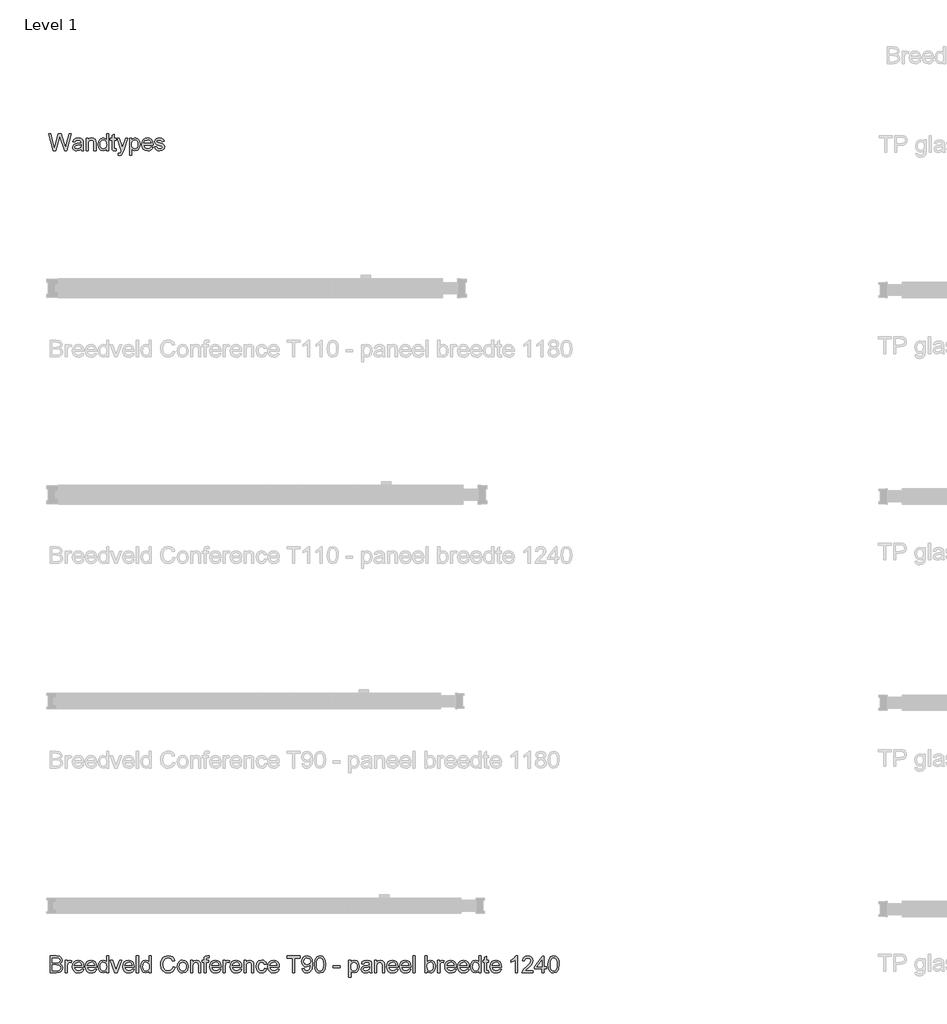
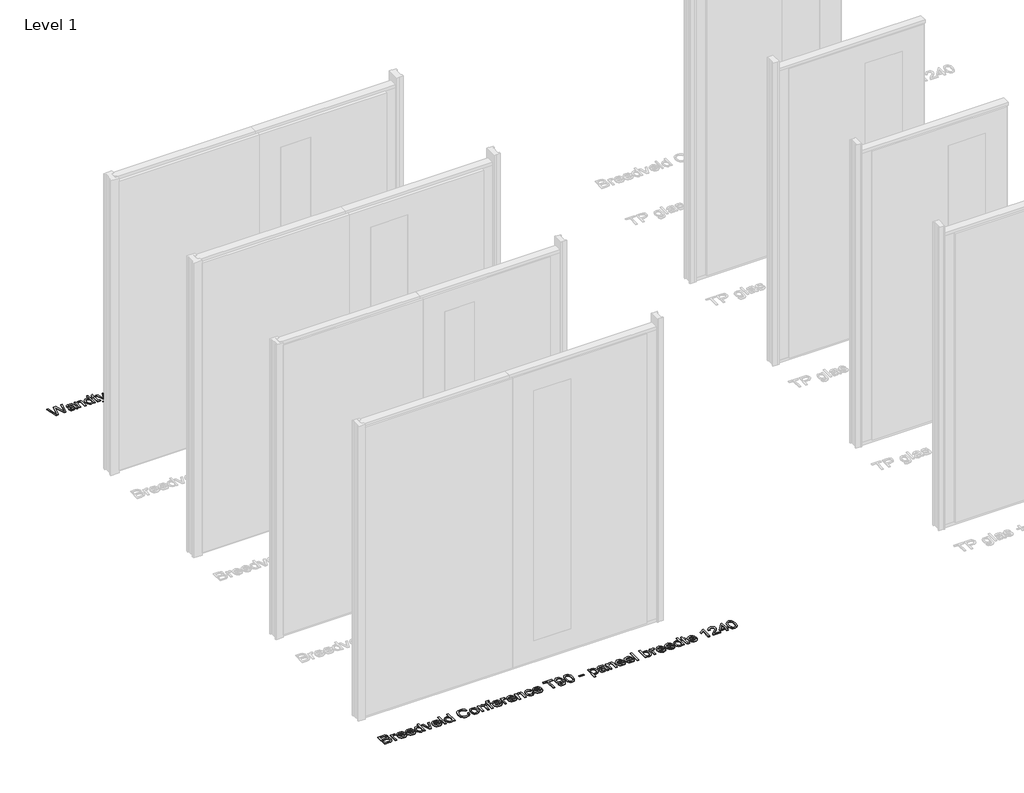
# One storey, part 4 of 17: 2 proxies.
"""IFC4 building model written with IfcOpenShell, lengths in millimetres."""

from ifc_helpers import new_model, si_unit, origin, origin_with_axes, place, context, project, spatial, polyline, outline, extrude, element, save

model = new_model("IFC4")

# Units and contexts
model_context = context("Model", 3, world=origin())
ifc_project = project(units=[si_unit("LENGTHUNIT", "METRE", prefix="MILLI")], contexts=[model_context])

# Site, building, storey
site = spatial("IfcSite", under=ifc_project)
building = spatial("IfcBuilding", under=site)
storey = spatial("IfcBuildingStorey", under=building, Name="Level 1", Elevation=0.0)

# Proxies
placement = place(None, origin())
element("IfcBuildingElementProxy", 1, Name="100 mm", ObjectType="100 mm", at=placement, inside=storey, context=model_context, shape_type="SweptSolid", body=[
    extrude(outline(polyline([(-17380.3580543, 512.9418082), (-17380.3580543, 611.4033467), (-17342.7859389, 611.4033467), (-17324.3844966, 608.5067121), (-17313.519112, 599.6004621), (-17309.5888235, 587.0043082), (-17312.894112, 575.5019044), (-17322.8820927, 566.7879621), (-17310.7546889, 557.6052698), (-17306.5119004, 542.2927698), (-17309.4085351, 529.0595967), (-17316.5840158, 519.6365198), (-17327.2931504, 514.6365198), (-17343.0744004, 512.9418082), (-17380.3580543, 512.9418082)]), holes=[polyline([(-17368.050362, 525.2495005), (-17342.8099774, 525.2495005), (-17333.675362, 525.7302698), (-17325.9469966, 528.4105582), (-17320.8268043, 533.8793082), (-17318.8195927, 542.1725775), (-17321.175362, 551.7398852), (-17328.8075735, 557.4490198), (-17344.0119004, 559.0956544), (-17368.050362, 559.0956544), (-17368.050362, 525.2495005)]), polyline([(-17368.050362, 571.4033467), (-17345.5744004, 571.4033467), (-17332.4494004, 572.461039), (-17324.5527658, 577.0163275), (-17321.8965158, 585.0331544), (-17324.3724774, 593.0620005), (-17331.4638235, 597.8095967), (-17347.2811312, 599.0956544), (-17368.050362, 599.0956544), (-17368.050362, 571.4033467)])]), origin_with_axes(), (0.0, 0.0, 1.0), 5.0),
    extrude(outline(polyline([(-17291.1272851, 512.9418082), (-17291.1272851, 585.2495005), (-17280.3580543, 585.2495005), (-17280.3580543, 574.5523852), (-17272.7138235, 584.4081544), (-17265.0215158, 586.7879621), (-17252.6657466, 582.9898852), (-17256.7763235, 571.9562313), (-17265.4301697, 574.4802698), (-17272.3893043, 572.0523852), (-17276.8244004, 565.3216159), (-17278.8195927, 550.9466159), (-17278.8195927, 512.9418082), (-17291.1272851, 512.9418082)])), origin_with_axes(), (0.0, 0.0, 1.0), 5.0),
    extrude(outline(polyline([(-17194.3484389, 534.4802698), (-17182.2811312, 532.9418082), (-17186.6290879, 523.8492602), (-17193.5671889, 517.0523852), (-17202.9391841, 512.8156063), (-17214.5888235, 511.4033467), (-17229.0299293, 513.8402457), (-17240.1417081, 521.1509429), (-17247.2270447, 532.8606784), (-17249.5888235, 548.4946929), (-17247.2030062, 564.6545486), (-17240.0455543, 576.7398852), (-17229.0840158, 584.2759429), (-17215.2859389, 586.7879621), (-17201.9175495, 584.2819525), (-17191.2354581, 576.7639236), (-17184.2312514, 564.7026255), (-17181.8965158, 548.5668082), (-17181.9686312, 545.2495005), (-17237.2811312, 545.2495005), (-17235.1507226, 536.0367602), (-17230.2018043, 529.2639236), (-17214.3484389, 523.711039), (-17202.2811312, 526.2831544), (-17194.3484389, 534.4802698)]), holes=[polyline([(-17237.2811312, 557.5571929), (-17194.2042081, 557.5571929), (-17199.1320927, 568.711039), (-17206.3075735, 573.0379621), (-17215.3340158, 574.4802698), (-17230.4902658, 569.8769044), (-17237.2811312, 557.5571929)])]), origin_with_axes(), (0.0, 0.0, 1.0), 5.0),
    extrude(outline(polyline([(-17118.9638235, 534.4802698), (-17106.8965158, 532.9418082), (-17111.2444726, 523.8492602), (-17118.1825735, 517.0523852), (-17127.5545687, 512.8156063), (-17139.2042081, 511.4033467), (-17153.6453139, 513.8402457), (-17164.7570927, 521.1509429), (-17171.8424293, 532.8606784), (-17174.2042081, 548.4946929), (-17171.8183908, 564.6545486), (-17164.6609389, 576.7398852), (-17153.6994004, 584.2759429), (-17139.9013235, 586.7879621), (-17126.5329341, 584.2819525), (-17115.8508427, 576.7639236), (-17108.846636, 564.7026255), (-17106.5119004, 548.5668082), (-17106.5840158, 545.2495005), (-17161.8965158, 545.2495005), (-17159.7661072, 536.0367602), (-17154.8171889, 529.2639236), (-17138.9638235, 523.711039), (-17126.8965158, 526.2831544), (-17118.9638235, 534.4802698)]), holes=[polyline([(-17161.8965158, 557.5571929), (-17118.8195927, 557.5571929), (-17123.7474774, 568.711039), (-17130.9229581, 573.0379621), (-17139.9494004, 574.4802698), (-17155.1056504, 569.8769044), (-17161.8965158, 557.5571929)])]), origin_with_axes(), (0.0, 0.0, 1.0), 5.0),
    extrude(outline(polyline([(-17049.5888235, 512.9418082), (-17049.5888235, 524.5523852), (-17057.7318524, 514.6906063), (-17068.987862, 511.4033467), (-17084.2282466, 516.1629621), (-17094.9974774, 529.4442121), (-17098.8195927, 549.023539), (-17095.2979581, 568.6148852), (-17084.7450735, 582.1004621), (-17069.0359389, 586.7879621), (-17057.6897851, 583.4345967), (-17049.5888235, 574.7206544), (-17049.5888235, 611.4033467), (-17037.2811312, 611.4033467), (-17037.2811312, 512.9418082), (-17049.5888235, 512.9418082)]), holes=[polyline([(-17086.5119004, 549.0716159), (-17085.1236793, 537.9388034), (-17080.9590158, 530.0211352), (-17074.9073331, 525.288563), (-17067.8580543, 523.711039), (-17060.8117802, 525.2164477), (-17054.9133427, 529.7326736), (-17050.9199533, 537.3438515), (-17049.5888235, 548.1341159), (-17050.9439918, 559.9309909), (-17055.0094966, 568.1100775), (-17061.0581745, 572.8877217), (-17068.362862, 574.4802698), (-17075.4842562, 572.9508227), (-17081.3195927, 568.3624813), (-17085.2138235, 560.4808707), (-17086.5119004, 549.0716159)])]), origin_with_axes(), (0.0, 0.0, 1.0), 5.0),
    extrude(outline(polyline([(-17001.0792081, 512.9418082), (-17026.5119004, 585.2495005), (-17013.4830543, 585.2495005), (-16998.0744004, 541.9321929), (-16993.4349774, 527.3648852), (-16988.8917081, 541.1148852), (-16973.3869004, 585.2495005), (-16960.3580543, 585.2495005), (-16985.4782466, 512.9418082), (-17001.0792081, 512.9418082)])), origin_with_axes(), (0.0, 0.0, 1.0), 5.0),
    extrude(outline(polyline([(-16898.9638235, 534.4802698), (-16886.8965158, 532.9418082), (-16891.2444726, 523.8492602), (-16898.1825735, 517.0523852), (-16907.5545687, 512.8156063), (-16919.2042081, 511.4033467), (-16933.6453139, 513.8402457), (-16944.7570927, 521.1509429), (-16951.8424293, 532.8606784), (-16954.2042081, 548.4946929), (-16951.8183908, 564.6545486), (-16944.6609389, 576.7398852), (-16933.6994004, 584.2759429), (-16919.9013235, 586.7879621), (-16906.5329341, 584.2819525), (-16895.8508427, 576.7639236), (-16888.846636, 564.7026255), (-16886.5119004, 548.5668082), (-16886.5840158, 545.2495005), (-16941.8965158, 545.2495005), (-16939.7661072, 536.0367602), (-16934.8171889, 529.2639236), (-16918.9638235, 523.711039), (-16906.8965158, 526.2831544), (-16898.9638235, 534.4802698)]), holes=[polyline([(-16941.8965158, 557.5571929), (-16898.8195927, 557.5571929), (-16903.7474774, 568.711039), (-16910.9229581, 573.0379621), (-16919.9494004, 574.4802698), (-16935.1056504, 569.8769044), (-16941.8965158, 557.5571929)])]), origin_with_axes(), (0.0, 0.0, 1.0), 5.0),
    extrude(outline(polyline([(-16874.2042081, 512.9418082), (-16874.2042081, 611.4033467), (-16861.8965158, 611.4033467), (-16861.8965158, 512.9418082), (-16874.2042081, 512.9418082)])), origin_with_axes(), (0.0, 0.0, 1.0), 5.0),
    extrude(outline(polyline([(-16798.8195927, 512.9418082), (-16798.8195927, 524.5523852), (-16806.9626216, 514.6906063), (-16818.2186312, 511.4033467), (-16833.4590158, 516.1629621), (-16844.2282466, 529.4442121), (-16848.050362, 549.023539), (-16844.5287274, 568.6148852), (-16833.9758427, 582.1004621), (-16818.2667081, 586.7879621), (-16806.9205543, 583.4345967), (-16798.8195927, 574.7206544), (-16798.8195927, 611.4033467), (-16786.5119004, 611.4033467), (-16786.5119004, 512.9418082), (-16798.8195927, 512.9418082)]), holes=[polyline([(-16835.7426697, 549.0716159), (-16834.3544485, 537.9388034), (-16830.1897851, 530.0211352), (-16824.1381024, 525.288563), (-16817.0888235, 523.711039), (-16810.0425495, 525.2164477), (-16804.144112, 529.7326736), (-16800.1507226, 537.3438515), (-16798.8195927, 548.1341159), (-16800.174761, 559.9309909), (-16804.2402658, 568.1100775), (-16810.2889437, 572.8877217), (-16817.5936312, 574.4802698), (-16824.7150254, 572.9508227), (-16830.550362, 568.3624813), (-16834.4445927, 560.4808707), (-16835.7426697, 549.0716159)])]), origin_with_axes(), (0.0, 0.0, 1.0), 5.0),
    extrude(outline(polyline([(-16658.8195927, 547.9418082), (-16646.5119004, 544.7687313), (-16652.190987, 530.4267842), (-16661.1032466, 519.9490198), (-16672.8099774, 513.539765), (-16686.8724774, 511.4033467), (-16701.1483187, 513.0199332), (-16712.4854581, 517.8696929), (-16721.175362, 525.7843563), (-16727.5094966, 536.5956544), (-16732.6657466, 562.9177698), (-16731.2084149, 577.2747409), (-16726.8364197, 589.6725775), (-16719.7781264, 599.7176496), (-16710.2619004, 607.0163275), (-16686.6080543, 612.9418082), (-16673.1134629, 611.0247409), (-16661.956612, 605.273539), (-16653.4860591, 596.0427698), (-16648.050362, 583.6870005), (-16660.3580543, 580.7543082), (-16670.4542081, 595.8865198), (-16687.0888235, 600.6341159), (-16706.3436312, 595.3696929), (-16717.2210351, 581.2350775), (-16720.3580543, 562.9418082), (-16716.644112, 541.7398852), (-16705.081612, 528.1942121), (-16688.0984389, 523.711039), (-16677.8250014, 525.2374813), (-16669.2643043, 529.8168082), (-16662.8009629, 537.4009429), (-16658.8195927, 547.9418082)])), origin_with_axes(), (0.0, 0.0, 1.0), 5.0),
    extrude(outline(polyline([(-16634.2042081, 549.0956544), (-16631.5419485, 566.5295486), (-16623.5551697, 578.7831544), (-16613.6873812, 584.7867602), (-16601.8724774, 586.7879621), (-16588.9427899, 584.351063), (-16578.6152658, 577.0403659), (-16571.8454341, 565.4327938), (-16569.5888235, 550.1052698), (-16573.5792081, 528.2062313), (-16585.2018043, 515.8144044), (-16601.8724774, 511.4033467), (-16614.9584149, 513.8312313), (-16625.2739197, 521.1148852), (-16631.971636, 532.9658467), (-16634.2042081, 549.0956544)]), holes=[polyline([(-16621.8965158, 549.1196929), (-16620.472237, 537.9808707), (-16616.1994004, 530.0451736), (-16609.769112, 525.2945727), (-16601.8724774, 523.711039), (-16594.0119004, 525.3035871), (-16587.5936312, 530.0812313), (-16583.3207947, 538.1220967), (-16581.8965158, 549.5043082), (-16583.3298091, 560.3186111), (-16587.6296889, 568.1461352), (-16594.0569726, 572.8967361), (-16601.8724774, 574.4802698), (-16609.769112, 572.9027457), (-16616.1994004, 568.1701736), (-16620.472237, 560.2525054), (-16621.8965158, 549.1196929)])]), origin_with_axes(), (0.0, 0.0, 1.0), 5.0),
    extrude(outline(polyline([(-16555.7426697, 512.9418082), (-16555.7426697, 585.2495005), (-16543.4349774, 585.2495005), (-16543.4349774, 575.1533467), (-16534.0239197, 583.8793082), (-16521.175362, 586.7879621), (-16509.5527658, 584.4442121), (-16501.6200735, 578.2903659), (-16497.9301697, 569.2398852), (-16497.2811312, 557.3408467), (-16497.2811312, 512.9418082), (-16509.5888235, 512.9418082), (-16509.5888235, 555.6821929), (-16511.0070927, 566.5716159), (-16516.019112, 572.3288275), (-16524.4686312, 574.4802698), (-16537.8219966, 569.648539), (-16542.0317322, 562.6473371), (-16543.4349774, 551.3071929), (-16543.4349774, 512.9418082), (-16555.7426697, 512.9418082)])), origin_with_axes(), (0.0, 0.0, 1.0), 5.0),
    extrude(outline(polyline([(-16477.2811312, 512.9418082), (-16477.2811312, 572.9418082), (-16488.050362, 572.9418082), (-16488.050362, 585.2495005), (-16477.2811312, 585.2495005), (-16477.2811312, 592.5331544), (-16475.9830543, 602.7975775), (-16469.6849774, 610.1293082), (-16457.2811312, 612.9418082), (-16446.0551697, 611.5956544), (-16447.8580543, 600.0571929), (-16454.9494004, 600.6341159), (-16462.7018043, 598.5908467), (-16464.9734389, 590.9706544), (-16464.9734389, 585.2495005), (-16451.1272851, 585.2495005), (-16451.1272851, 572.9418082), (-16464.9734389, 572.9418082), (-16464.9734389, 512.9418082), (-16477.2811312, 512.9418082)])), origin_with_axes(), (0.0, 0.0, 1.0), 5.0),
    extrude(outline(polyline([(-16389.7330543, 534.4802698), (-16377.6657466, 532.9418082), (-16382.0137033, 523.8492602), (-16388.9518043, 517.0523852), (-16398.3237995, 512.8156063), (-16409.9734389, 511.4033467), (-16424.4145447, 513.8402457), (-16435.5263235, 521.1509429), (-16442.6116601, 532.8606784), (-16444.9734389, 548.4946929), (-16442.5876216, 564.6545486), (-16435.4301697, 576.7398852), (-16424.4686312, 584.2759429), (-16410.6705543, 586.7879621), (-16397.3021649, 584.2819525), (-16386.6200735, 576.7639236), (-16379.6158668, 564.7026255), (-16377.2811312, 548.5668082), (-16377.3532466, 545.2495005), (-16432.6657466, 545.2495005), (-16430.5353379, 536.0367602), (-16425.5864197, 529.2639236), (-16409.7330543, 523.711039), (-16397.6657466, 526.2831544), (-16389.7330543, 534.4802698)]), holes=[polyline([(-16432.6657466, 557.5571929), (-16389.5888235, 557.5571929), (-16394.5167081, 568.711039), (-16401.6921889, 573.0379621), (-16410.7186312, 574.4802698), (-16425.8748812, 569.8769044), (-16432.6657466, 557.5571929)])]), origin_with_axes(), (0.0, 0.0, 1.0), 5.0),
    extrude(outline(polyline([(-16364.9734389, 512.9418082), (-16364.9734389, 585.2495005), (-16354.2042081, 585.2495005), (-16354.2042081, 574.5523852), (-16346.5599774, 584.4081544), (-16338.8676697, 586.7879621), (-16326.5119004, 582.9898852), (-16330.6224774, 571.9562313), (-16339.2763235, 574.4802698), (-16346.2354581, 572.0523852), (-16350.6705543, 565.3216159), (-16352.6657466, 550.9466159), (-16352.6657466, 512.9418082), (-16364.9734389, 512.9418082)])), origin_with_axes(), (0.0, 0.0, 1.0), 5.0),
    extrude(outline(polyline([(-16268.1945927, 534.4802698), (-16256.1272851, 532.9418082), (-16260.4752418, 523.8492602), (-16267.4133427, 517.0523852), (-16276.7853379, 512.8156063), (-16288.4349774, 511.4033467), (-16302.8760831, 513.8402457), (-16313.987862, 521.1509429), (-16321.0731985, 532.8606784), (-16323.4349774, 548.4946929), (-16321.0491601, 564.6545486), (-16313.8917081, 576.7398852), (-16302.9301697, 584.2759429), (-16289.1320927, 586.7879621), (-16275.7637033, 584.2819525), (-16265.081612, 576.7639236), (-16258.0774052, 564.7026255), (-16255.7426697, 548.5668082), (-16255.8147851, 545.2495005), (-16311.1272851, 545.2495005), (-16308.9968764, 536.0367602), (-16304.0479581, 529.2639236), (-16288.1945927, 523.711039), (-16276.1272851, 526.2831544), (-16268.1945927, 534.4802698)]), holes=[polyline([(-16311.1272851, 557.5571929), (-16268.050362, 557.5571929), (-16272.9782466, 568.711039), (-16280.1537274, 573.0379621), (-16289.1801697, 574.4802698), (-16304.3364197, 569.8769044), (-16311.1272851, 557.5571929)])]), origin_with_axes(), (0.0, 0.0, 1.0), 5.0),
    extrude(outline(polyline([(-16243.4349774, 512.9418082), (-16243.4349774, 585.2495005), (-16231.1272851, 585.2495005), (-16231.1272851, 575.1533467), (-16221.7162274, 583.8793082), (-16208.8676697, 586.7879621), (-16197.2450735, 584.4442121), (-16189.3123812, 578.2903659), (-16185.6224774, 569.2398852), (-16184.9734389, 557.3408467), (-16184.9734389, 512.9418082), (-16197.2811312, 512.9418082), (-16197.2811312, 555.6821929), (-16198.6994004, 566.5716159), (-16203.7114197, 572.3288275), (-16212.1609389, 574.4802698), (-16225.5143043, 569.648539), (-16229.7240399, 562.6473371), (-16231.1272851, 551.3071929), (-16231.1272851, 512.9418082), (-16243.4349774, 512.9418082)])), origin_with_axes(), (0.0, 0.0, 1.0), 5.0),
    extrude(outline(polyline([(-16121.8965158, 539.0956544), (-16109.5888235, 537.5571929), (-16113.0203139, 526.6106784), (-16119.4686312, 518.3384429), (-16128.3268043, 513.1371207), (-16138.987862, 511.4033467), (-16152.0798091, 513.8222169), (-16162.3171889, 521.0788275), (-16168.924761, 532.8546688), (-16171.1272851, 548.8312313), (-16167.3652658, 569.2759429), (-16155.8989197, 582.4129621), (-16139.1561312, 586.7879621), (-16128.7564918, 585.2855582), (-16120.4421889, 580.7783467), (-16114.4776456, 573.5067121), (-16111.1272851, 563.711039), (-16123.4349774, 562.1725775), (-16129.144112, 571.3913275), (-16139.0599774, 574.4802698), (-16147.0137033, 572.9598371), (-16153.3268043, 568.398539), (-16157.4463956, 560.5499813), (-16158.8195927, 549.1677698), (-16157.4764437, 537.632313), (-16153.4469966, 529.7567121), (-16147.2480783, 525.2224573), (-16139.3965158, 523.711039), (-16127.7979581, 527.4850775), (-16121.8965158, 539.0956544)])), origin_with_axes(), (0.0, 0.0, 1.0), 5.0),
    extrude(outline(polyline([(-16048.1945927, 534.4802698), (-16036.1272851, 532.9418082), (-16040.4752418, 523.8492602), (-16047.4133427, 517.0523852), (-16056.7853379, 512.8156063), (-16068.4349774, 511.4033467), (-16082.8760831, 513.8402457), (-16093.987862, 521.1509429), (-16101.0731985, 532.8606784), (-16103.4349774, 548.4946929), (-16101.0491601, 564.6545486), (-16093.8917081, 576.7398852), (-16082.9301697, 584.2759429), (-16069.1320927, 586.7879621), (-16055.7637033, 584.2819525), (-16045.081612, 576.7639236), (-16038.0774052, 564.7026255), (-16035.7426697, 548.5668082), (-16035.8147851, 545.2495005), (-16091.1272851, 545.2495005), (-16088.9968764, 536.0367602), (-16084.0479581, 529.2639236), (-16068.1945927, 523.711039), (-16056.1272851, 526.2831544), (-16048.1945927, 534.4802698)]), holes=[polyline([(-16091.1272851, 557.5571929), (-16048.050362, 557.5571929), (-16052.9782466, 568.711039), (-16060.1537274, 573.0379621), (-16069.1801697, 574.4802698), (-16084.3364197, 569.8769044), (-16091.1272851, 557.5571929)])]), origin_with_axes(), (0.0, 0.0, 1.0), 5.0),
    extrude(outline(polyline([(-15958.8195927, 512.9418082), (-15958.8195927, 599.0956544), (-15991.1272851, 599.0956544), (-15991.1272851, 611.4033467), (-15914.2042081, 611.4033467), (-15914.2042081, 599.0956544), (-15946.5119004, 599.0956544), (-15946.5119004, 512.9418082), (-15958.8195927, 512.9418082)])), origin_with_axes(), (0.0, 0.0, 1.0), 5.0),
    extrude(outline(polyline([(-15903.4349774, 537.5571929), (-15891.1272851, 539.0956544), (-15885.5984389, 527.3528659), (-15875.1176697, 523.711039), (-15865.1537274, 526.054789), (-15858.3989197, 532.3168082), (-15854.3724774, 543.0139236), (-15852.5936312, 557.2927698), (-15852.6657466, 559.6966159), (-15862.5094966, 550.3696929), (-15876.0070927, 546.7879621), (-15887.2300495, 548.9754621), (-15896.5719966, 555.5379621), (-15902.8730783, 565.6761832), (-15904.9734389, 578.5908467), (-15902.7709149, 591.9321929), (-15896.1633427, 602.3889236), (-15886.2384629, 609.1497409), (-15874.0840158, 611.4033467), (-15856.5479581, 606.2591159), (-15844.4806504, 591.5956544), (-15840.3580543, 564.0475775), (-15844.4686312, 534.1557505), (-15856.6921889, 517.2206544), (-15865.4992802, 512.8576736), (-15875.6945927, 511.4033467), (-15886.2174293, 513.1190919), (-15894.612862, 518.2663275), (-15900.4842562, 526.5205342), (-15903.4349774, 537.5571929)]), holes=[polyline([(-15852.6657466, 578.8793082), (-15857.9782466, 593.6389236), (-15872.0888235, 599.0956544), (-15880.3099774, 597.6263034), (-15886.8965158, 593.2182505), (-15891.2234389, 586.4724573), (-15892.6657466, 577.9898852), (-15887.2090158, 564.3480582), (-15872.425362, 559.0956544), (-15858.2306504, 564.3480582), (-15854.0569726, 570.6070727), (-15852.6657466, 578.8793082)])]), origin_with_axes(), (0.0, 0.0, 1.0), 5.0),
    extrude(outline(polyline([(-15829.5888235, 561.3793082), (-15825.9710351, 589.7086352), (-15815.2258427, 606.0427698), (-15797.2811312, 611.4033467), (-15782.9061312, 608.2302698), (-15772.9782466, 599.0836352), (-15767.2090158, 584.5163275), (-15764.9734389, 561.3793082), (-15768.5551697, 533.1701736), (-15779.2643043, 516.7999813), (-15797.2811312, 511.4033467), (-15810.0695927, 513.7470967), (-15819.7811312, 520.7783467), (-15827.1369004, 537.4309909), (-15829.5888235, 561.3793082)]), holes=[polyline([(-15817.2811312, 561.4033467), (-15815.8388235, 542.0433707), (-15811.5119004, 530.8384429), (-15805.0695927, 525.49289), (-15797.2811312, 523.711039), (-15789.4926697, 525.4988996), (-15783.050362, 530.8624813), (-15778.7234389, 542.0734188), (-15777.2811312, 561.4033467), (-15778.675362, 580.3276255), (-15782.8580543, 591.6196929), (-15789.2883427, 597.226664), (-15797.425362, 599.0956544), (-15805.1296889, 597.4490198), (-15811.3195927, 592.5091159), (-15815.7907466, 580.5139236), (-15817.2811312, 561.4033467)])]), origin_with_axes(), (0.0, 0.0, 1.0), 5.0),
    extrude(outline(polyline([(-15718.8195927, 542.1725775), (-15718.8195927, 554.4802698), (-15680.3580543, 554.4802698), (-15680.3580543, 542.1725775), (-15718.8195927, 542.1725775)])), origin_with_axes(), (0.0, 0.0, 1.0), 5.0),
    extrude(outline(polyline([(-15628.050362, 485.2495005), (-15628.050362, 585.2495005), (-15615.7426697, 585.2495005), (-15615.7426697, 573.1821929), (-15607.2330543, 583.3865198), (-15595.7426697, 586.7879621), (-15580.1417081, 582.0283467), (-15569.9494004, 568.6148852), (-15566.5119004, 549.648539), (-15570.394112, 529.7086352), (-15581.6681504, 516.1269044), (-15597.2330543, 511.4033467), (-15607.9421889, 514.5644044), (-15615.7426697, 522.5571929), (-15615.7426697, 485.2495005), (-15628.050362, 485.2495005)]), holes=[polyline([(-15615.7426697, 548.5187313), (-15614.4115399, 537.4850775), (-15610.4181504, 529.7687313), (-15604.5257226, 525.2254621), (-15597.4974774, 523.711039), (-15590.3550495, 525.2795486), (-15584.3123812, 529.9850775), (-15580.1927899, 537.9838755), (-15578.8195927, 549.4321929), (-15580.159737, 560.4057505), (-15584.1801697, 568.2302698), (-15590.0635831, 572.9177698), (-15596.9926697, 574.4802698), (-15603.9487995, 572.8186111), (-15610.0575735, 567.8336352), (-15614.3213956, 559.6815919), (-15615.7426697, 548.5187313)])]), origin_with_axes(), (0.0, 0.0, 1.0), 5.0),
    extrude(outline(polyline([(-15506.5119004, 522.1725775), (-15518.4469966, 513.8312313), (-15531.6320927, 511.4033467), (-15541.9175495, 512.8636832), (-15549.5046889, 517.2446929), (-15554.1831745, 523.8973371), (-15555.7426697, 532.1725775), (-15553.3869004, 541.9081544), (-15547.1969966, 548.9754621), (-15538.5792081, 553.0139236), (-15527.9301697, 554.8648852), (-15506.5840158, 559.0956544), (-15506.5119004, 561.836039), (-15509.9013235, 570.9225775), (-15523.5070927, 574.4802698), (-15535.9590158, 572.1124813), (-15541.8965158, 563.711039), (-15554.2042081, 565.2495005), (-15548.8796889, 577.2687313), (-15538.1585351, 584.3120005), (-15521.9205543, 586.7879621), (-15507.0046889, 584.6004621), (-15498.5792081, 579.1076736), (-15494.8051697, 570.7543082), (-15494.2042081, 559.9850775), (-15494.2042081, 544.6725775), (-15493.5792081, 523.2903659), (-15491.1272851, 512.9418082), (-15503.4349774, 512.9418082), (-15506.5119004, 522.1725775)]), holes=[polyline([(-15506.5119004, 546.7879621), (-15526.3676697, 543.0139236), (-15536.956612, 541.0187313), (-15541.7522851, 537.773539), (-15543.4349774, 533.0379621), (-15539.769112, 526.3793082), (-15529.0119004, 523.711039), (-15516.5599774, 526.6557505), (-15508.5311312, 533.7831544), (-15506.5840158, 543.3023852), (-15506.5119004, 546.7879621)])]), origin_with_axes(), (0.0, 0.0, 1.0), 5.0),
    extrude(outline(polyline([(-15477.2811312, 512.9418082), (-15477.2811312, 585.2495005), (-15464.9734389, 585.2495005), (-15464.9734389, 575.1533467), (-15455.5623812, 583.8793082), (-15442.7138235, 586.7879621), (-15431.0912274, 584.4442121), (-15423.1585351, 578.2903659), (-15419.4686312, 569.2398852), (-15418.8195927, 557.3408467), (-15418.8195927, 512.9418082), (-15431.1272851, 512.9418082), (-15431.1272851, 555.6821929), (-15432.5455543, 566.5716159), (-15437.5575735, 572.3288275), (-15446.0070927, 574.4802698), (-15459.3604581, 569.648539), (-15463.5701937, 562.6473371), (-15464.9734389, 551.3071929), (-15464.9734389, 512.9418082), (-15477.2811312, 512.9418082)])), origin_with_axes(), (0.0, 0.0, 1.0), 5.0),
    extrude(outline(polyline([(-15351.2715158, 534.4802698), (-15339.2042081, 532.9418082), (-15343.5521649, 523.8492602), (-15350.4902658, 517.0523852), (-15359.862261, 512.8156063), (-15371.5119004, 511.4033467), (-15385.9530062, 513.8402457), (-15397.0647851, 521.1509429), (-15404.1501216, 532.8606784), (-15406.5119004, 548.4946929), (-15404.1260831, 564.6545486), (-15396.9686312, 576.7398852), (-15386.0070927, 584.2759429), (-15372.2090158, 586.7879621), (-15358.8406264, 584.2819525), (-15348.1585351, 576.7639236), (-15341.1543283, 564.7026255), (-15338.8195927, 548.5668082), (-15338.8917081, 545.2495005), (-15394.2042081, 545.2495005), (-15392.0737995, 536.0367602), (-15387.1248812, 529.2639236), (-15371.2715158, 523.711039), (-15359.2042081, 526.2831544), (-15351.2715158, 534.4802698)]), holes=[polyline([(-15394.2042081, 557.5571929), (-15351.1272851, 557.5571929), (-15356.0551697, 568.711039), (-15363.2306504, 573.0379621), (-15372.2570927, 574.4802698), (-15387.4133427, 569.8769044), (-15394.2042081, 557.5571929)])]), origin_with_axes(), (0.0, 0.0, 1.0), 5.0),
    extrude(outline(polyline([(-15275.8869004, 534.4802698), (-15263.8195927, 532.9418082), (-15268.1675495, 523.8492602), (-15275.1056504, 517.0523852), (-15284.4776456, 512.8156063), (-15296.1272851, 511.4033467), (-15310.5683908, 513.8402457), (-15321.6801697, 521.1509429), (-15328.7655062, 532.8606784), (-15331.1272851, 548.4946929), (-15328.7414677, 564.6545486), (-15321.5840158, 576.7398852), (-15310.6224774, 584.2759429), (-15296.8244004, 586.7879621), (-15283.456011, 584.2819525), (-15272.7739197, 576.7639236), (-15265.7697129, 564.7026255), (-15263.4349774, 548.5668082), (-15263.5070927, 545.2495005), (-15318.8195927, 545.2495005), (-15316.6891841, 536.0367602), (-15311.7402658, 529.2639236), (-15295.8869004, 523.711039), (-15283.8195927, 526.2831544), (-15275.8869004, 534.4802698)]), holes=[polyline([(-15318.8195927, 557.5571929), (-15275.7426697, 557.5571929), (-15280.6705543, 568.711039), (-15287.8460351, 573.0379621), (-15296.8724774, 574.4802698), (-15312.0287274, 569.8769044), (-15318.8195927, 557.5571929)])]), origin_with_axes(), (0.0, 0.0, 1.0), 5.0),
    extrude(outline(polyline([(-15251.1272851, 512.9418082), (-15251.1272851, 611.4033467), (-15238.8195927, 611.4033467), (-15238.8195927, 512.9418082), (-15251.1272851, 512.9418082)])), origin_with_axes(), (0.0, 0.0, 1.0), 5.0),
    extrude(outline(polyline([(-15169.5888235, 512.9418082), (-15181.8965158, 512.9418082), (-15181.8965158, 611.4033467), (-15169.5888235, 611.4033467), (-15169.5888235, 574.8889236), (-15160.9710351, 583.8132025), (-15150.2619004, 586.7879621), (-15137.9301697, 584.1076736), (-15128.362862, 576.5716159), (-15122.4854581, 564.8528659), (-15120.3580543, 550.1773852), (-15122.5605783, 533.7470967), (-15129.1681504, 521.523539), (-15138.8646649, 513.9333948), (-15150.3340158, 511.4033467), (-15161.2775254, 514.6665679), (-15169.5888235, 524.4562313), (-15169.5888235, 512.9418082)]), holes=[polyline([(-15169.5888235, 549.6004621), (-15166.2234389, 532.3889236), (-15159.7751216, 525.8805102), (-15151.3917081, 523.711039), (-15144.2883427, 525.3095967), (-15138.2186312, 530.1052698), (-15134.0539677, 538.0680102), (-15132.6657466, 549.1677698), (-15133.9968764, 560.429789), (-15137.9902658, 568.3023852), (-15143.8706745, 572.9357986), (-15150.862862, 574.4802698), (-15157.9662274, 572.8817121), (-15164.0359389, 568.086039), (-15168.2006024, 560.2675294), (-15169.5888235, 549.6004621)])]), origin_with_axes(), (0.0, 0.0, 1.0), 5.0),
    extrude(outline(polyline([(-15106.5119004, 512.9418082), (-15106.5119004, 585.2495005), (-15095.7426697, 585.2495005), (-15095.7426697, 574.5523852), (-15088.0984389, 584.4081544), (-15080.4061312, 586.7879621), (-15068.050362, 582.9898852), (-15072.1609389, 571.9562313), (-15080.8147851, 574.4802698), (-15087.7739197, 572.0523852), (-15092.2090158, 565.3216159), (-15094.2042081, 550.9466159), (-15094.2042081, 512.9418082), (-15106.5119004, 512.9418082)])), origin_with_axes(), (0.0, 0.0, 1.0), 5.0),
    extrude(outline(polyline([(-15009.7330543, 534.4802698), (-14997.6657466, 532.9418082), (-15002.0137033, 523.8492602), (-15008.9518043, 517.0523852), (-15018.3237995, 512.8156063), (-15029.9734389, 511.4033467), (-15044.4145447, 513.8402457), (-15055.5263235, 521.1509429), (-15062.6116601, 532.8606784), (-15064.9734389, 548.4946929), (-15062.5876216, 564.6545486), (-15055.4301697, 576.7398852), (-15044.4686312, 584.2759429), (-15030.6705543, 586.7879621), (-15017.3021649, 584.2819525), (-15006.6200735, 576.7639236), (-14999.6158668, 564.7026255), (-14997.2811312, 548.5668082), (-14997.3532466, 545.2495005), (-15052.6657466, 545.2495005), (-15050.5353379, 536.0367602), (-15045.5864197, 529.2639236), (-15029.7330543, 523.711039), (-15017.6657466, 526.2831544), (-15009.7330543, 534.4802698)]), holes=[polyline([(-15052.6657466, 557.5571929), (-15009.5888235, 557.5571929), (-15014.5167081, 568.711039), (-15021.6921889, 573.0379621), (-15030.7186312, 574.4802698), (-15045.8748812, 569.8769044), (-15052.6657466, 557.5571929)])]), origin_with_axes(), (0.0, 0.0, 1.0), 5.0),
    extrude(outline(polyline([(-14934.3484389, 534.4802698), (-14922.2811312, 532.9418082), (-14926.6290879, 523.8492602), (-14933.5671889, 517.0523852), (-14942.9391841, 512.8156063), (-14954.5888235, 511.4033467), (-14969.0299293, 513.8402457), (-14980.1417081, 521.1509429), (-14987.2270447, 532.8606784), (-14989.5888235, 548.4946929), (-14987.2030062, 564.6545486), (-14980.0455543, 576.7398852), (-14969.0840158, 584.2759429), (-14955.2859389, 586.7879621), (-14941.9175495, 584.2819525), (-14931.2354581, 576.7639236), (-14924.2312514, 564.7026255), (-14921.8965158, 548.5668082), (-14921.9686312, 545.2495005), (-14977.2811312, 545.2495005), (-14975.1507226, 536.0367602), (-14970.2018043, 529.2639236), (-14954.3484389, 523.711039), (-14942.2811312, 526.2831544), (-14934.3484389, 534.4802698)]), holes=[polyline([(-14977.2811312, 557.5571929), (-14934.2042081, 557.5571929), (-14939.1320927, 568.711039), (-14946.3075735, 573.0379621), (-14955.3340158, 574.4802698), (-14970.4902658, 569.8769044), (-14977.2811312, 557.5571929)])]), origin_with_axes(), (0.0, 0.0, 1.0), 5.0),
    extrude(outline(polyline([(-14864.9734389, 512.9418082), (-14864.9734389, 524.5523852), (-14873.1164677, 514.6906063), (-14884.3724774, 511.4033467), (-14899.612862, 516.1629621), (-14910.3820927, 529.4442121), (-14914.2042081, 549.023539), (-14910.6825735, 568.6148852), (-14900.1296889, 582.1004621), (-14884.4205543, 586.7879621), (-14873.0744004, 583.4345967), (-14864.9734389, 574.7206544), (-14864.9734389, 611.4033467), (-14852.6657466, 611.4033467), (-14852.6657466, 512.9418082), (-14864.9734389, 512.9418082)]), holes=[polyline([(-14901.8965158, 549.0716159), (-14900.5082947, 537.9388034), (-14896.3436312, 530.0211352), (-14890.2919485, 525.288563), (-14883.2426697, 523.711039), (-14876.1963956, 525.2164477), (-14870.2979581, 529.7326736), (-14866.3045687, 537.3438515), (-14864.9734389, 548.1341159), (-14866.3286072, 559.9309909), (-14870.394112, 568.1100775), (-14876.4427899, 572.8877217), (-14883.7474774, 574.4802698), (-14890.8688716, 572.9508227), (-14896.7042081, 568.3624813), (-14900.5984389, 560.4808707), (-14901.8965158, 549.0716159)])]), origin_with_axes(), (0.0, 0.0, 1.0), 5.0),
    extrude(outline(polyline([(-14808.050362, 523.2062313), (-14806.5119004, 512.5812313), (-14815.7186312, 511.4033467), (-14826.0311312, 513.4466159), (-14831.175362, 518.8071929), (-14832.6657466, 532.773539), (-14832.6657466, 572.9418082), (-14841.8965158, 572.9418082), (-14841.8965158, 585.2495005), (-14832.6657466, 585.2495005), (-14832.6657466, 602.8216159), (-14820.3580543, 610.0571929), (-14820.3580543, 585.2495005), (-14808.050362, 585.2495005), (-14808.050362, 572.9418082), (-14820.3580543, 572.9418082), (-14820.3580543, 533.1341159), (-14819.7090158, 526.7879621), (-14817.6056504, 524.5403659), (-14813.4109389, 523.711039), (-14808.050362, 523.2062313)])), origin_with_axes(), (0.0, 0.0, 1.0), 5.0),
    extrude(outline(polyline([(-14745.1176697, 534.4802698), (-14733.050362, 532.9418082), (-14737.3983187, 523.8492602), (-14744.3364197, 517.0523852), (-14753.7084149, 512.8156063), (-14765.3580543, 511.4033467), (-14779.7991601, 513.8402457), (-14790.9109389, 521.1509429), (-14797.9962754, 532.8606784), (-14800.3580543, 548.4946929), (-14797.972237, 564.6545486), (-14790.8147851, 576.7398852), (-14779.8532466, 584.2759429), (-14766.0551697, 586.7879621), (-14752.6867802, 584.2819525), (-14742.0046889, 576.7639236), (-14735.0004822, 564.7026255), (-14732.6657466, 548.5668082), (-14732.737862, 545.2495005), (-14788.050362, 545.2495005), (-14785.9199533, 536.0367602), (-14780.9710351, 529.2639236), (-14765.1176697, 523.711039), (-14753.050362, 526.2831544), (-14745.1176697, 534.4802698)]), holes=[polyline([(-14788.050362, 557.5571929), (-14744.9734389, 557.5571929), (-14749.9013235, 568.711039), (-14757.0768043, 573.0379621), (-14766.1032466, 574.4802698), (-14781.2594966, 569.8769044), (-14788.050362, 557.5571929)])]), origin_with_axes(), (0.0, 0.0, 1.0), 5.0),
    extrude(outline(polyline([(-14638.8195927, 512.9418082), (-14651.1272851, 512.9418082), (-14651.1272851, 589.6725775), (-14662.7859389, 581.367289), (-14675.7426697, 575.1533467), (-14675.7426697, 586.7879621), (-14657.7018043, 598.3023852), (-14646.7522851, 611.4033467), (-14638.8195927, 611.4033467), (-14638.8195927, 512.9418082)])), origin_with_axes(), (0.0, 0.0, 1.0), 5.0),
    extrude(outline(polyline([(-14546.5119004, 525.2495005), (-14546.5119004, 512.9418082), (-14611.1272851, 512.9418082), (-14609.8051697, 521.4273852), (-14602.3292081, 534.492289), (-14586.9205543, 548.7591159), (-14565.6705543, 569.2639236), (-14560.3580543, 583.2062313), (-14565.3700735, 594.492289), (-14578.4590158, 599.0956544), (-14592.1008427, 594.6004621), (-14597.2811312, 582.1725775), (-14609.5888235, 583.711039), (-14606.6050495, 595.6160871), (-14600.1537274, 604.3120005), (-14590.5713956, 609.6305102), (-14578.1945927, 611.4033467), (-14565.7276456, 609.4321929), (-14556.1633427, 603.5187313), (-14550.0786072, 594.6845967), (-14548.050362, 583.9514236), (-14550.237862, 572.2807505), (-14557.5094966, 560.2134429), (-14575.1417081, 543.3504621), (-14589.300362, 531.5115198), (-14594.8532466, 525.2495005), (-14546.5119004, 525.2495005)])), origin_with_axes(), (0.0, 0.0, 1.0), 5.0),
    extrude(outline(polyline([(-14494.2042081, 512.9418082), (-14494.2042081, 536.0187313), (-14538.8195927, 536.0187313), (-14538.8195927, 548.3264236), (-14491.1272851, 609.8648852), (-14481.8965158, 609.8648852), (-14481.8965158, 548.3264236), (-14469.5888235, 548.3264236), (-14469.5888235, 536.0187313), (-14481.8965158, 536.0187313), (-14481.8965158, 512.9418082), (-14494.2042081, 512.9418082)]), holes=[polyline([(-14494.2042081, 548.3264236), (-14494.2042081, 586.3552698), (-14523.675362, 548.3264236), (-14494.2042081, 548.3264236)])]), origin_with_axes(), (0.0, 0.0, 1.0), 5.0),
    extrude(outline(polyline([(-14458.8195927, 561.3793082), (-14455.2018043, 589.7086352), (-14444.456612, 606.0427698), (-14426.5119004, 611.4033467), (-14412.1369004, 608.2302698), (-14402.2090158, 599.0836352), (-14396.4397851, 584.5163275), (-14394.2042081, 561.3793082), (-14397.7859389, 533.1701736), (-14408.4950735, 516.7999813), (-14426.5119004, 511.4033467), (-14439.300362, 513.7470967), (-14449.0119004, 520.7783467), (-14456.3676697, 537.4309909), (-14458.8195927, 561.3793082)]), holes=[polyline([(-14446.5119004, 561.4033467), (-14445.0695927, 542.0433707), (-14440.7426697, 530.8384429), (-14434.300362, 525.49289), (-14426.5119004, 523.711039), (-14418.7234389, 525.4988996), (-14412.2811312, 530.8624813), (-14407.9542081, 542.0734188), (-14406.5119004, 561.4033467), (-14407.9061312, 580.3276255), (-14412.0888235, 591.6196929), (-14418.519112, 597.226664), (-14426.6561312, 599.0956544), (-14434.3604581, 597.4490198), (-14440.550362, 592.5091159), (-14445.0215158, 580.5139236), (-14446.5119004, 561.4033467)])]), origin_with_axes(), (0.0, 0.0, 1.0), 5.0),
])
element("IfcBuildingElementProxy", 2, Name="100 mm", ObjectType="100 mm", at=placement, inside=storey, context=model_context, shape_type="SweptSolid", body=[
    extrude(outline(polyline([(-17362.737862, 5332.9102169), (-17389.5888235, 5431.3717554), (-17376.8965158, 5431.3717554), (-17361.3195927, 5366.6602169), (-17356.5119004, 5346.6842554), (-17351.3676697, 5364.3525246), (-17331.8484389, 5431.3717554), (-17313.5551697, 5431.3717554), (-17299.3724774, 5382.7900246), (-17288.8195927, 5346.6842554), (-17284.1561312, 5366.0832938), (-17268.4349774, 5431.3717554), (-17255.7426697, 5431.3717554), (-17282.6176697, 5332.9102169), (-17295.7667081, 5332.9102169), (-17319.3724774, 5408.8717554), (-17322.6657466, 5419.4727169), (-17326.3676697, 5406.7082938), (-17347.8820927, 5332.9102169), (-17362.737862, 5332.9102169)])), origin_with_axes(), (0.0, 0.0, 1.0), 5.0),
    extrude(outline(polyline([(-17198.8195927, 5342.1409861), (-17210.7546889, 5333.79964), (-17223.9397851, 5331.3717554), (-17234.2252418, 5332.8320919), (-17241.8123812, 5337.2131015), (-17246.4908668, 5343.8657457), (-17248.050362, 5352.1409861), (-17245.6945927, 5361.8765631), (-17239.5046889, 5368.9438707), (-17230.8869004, 5372.9823323), (-17220.237862, 5374.8332938), (-17198.8917081, 5379.0640631), (-17198.8195927, 5381.8044477), (-17202.2090158, 5390.8909861), (-17215.8147851, 5394.4486784), (-17228.2667081, 5392.08089), (-17234.2042081, 5383.6794477), (-17246.5119004, 5385.2179092), (-17241.1873812, 5397.23714), (-17230.4662274, 5404.2804092), (-17214.2282466, 5406.7563707), (-17199.3123812, 5404.5688707), (-17190.8869004, 5399.0760823), (-17187.112862, 5390.7227169), (-17186.5119004, 5379.9534861), (-17186.5119004, 5364.6409861), (-17185.8869004, 5343.2587746), (-17183.4349774, 5332.9102169), (-17195.7426697, 5332.9102169), (-17198.8195927, 5342.1409861)]), holes=[polyline([(-17198.8195927, 5366.7563707), (-17218.675362, 5362.9823323), (-17229.2643043, 5360.98714), (-17234.0599774, 5357.7419477), (-17235.7426697, 5353.0063707), (-17232.0768043, 5346.3477169), (-17221.3195927, 5343.6794477), (-17208.8676697, 5346.6241592), (-17200.8388235, 5353.7515631), (-17198.8917081, 5363.2707938), (-17198.8195927, 5366.7563707)])]), origin_with_axes(), (0.0, 0.0, 1.0), 5.0),
    extrude(outline(polyline([(-17169.5888235, 5332.9102169), (-17169.5888235, 5405.2179092), (-17157.2811312, 5405.2179092), (-17157.2811312, 5395.1217554), (-17147.8700735, 5403.8477169), (-17135.0215158, 5406.7563707), (-17123.3989197, 5404.4126207), (-17115.4662274, 5398.2587746), (-17111.7763235, 5389.2082938), (-17111.1272851, 5377.3092554), (-17111.1272851, 5332.9102169), (-17123.4349774, 5332.9102169), (-17123.4349774, 5375.6506015), (-17124.8532466, 5386.5400246), (-17129.8652658, 5392.2972361), (-17138.3147851, 5394.4486784), (-17151.6681504, 5389.6169477), (-17155.877886, 5382.6157457), (-17157.2811312, 5371.2756015), (-17157.2811312, 5332.9102169), (-17169.5888235, 5332.9102169)])), origin_with_axes(), (0.0, 0.0, 1.0), 5.0),
    extrude(outline(polyline([(-17049.5888235, 5332.9102169), (-17049.5888235, 5344.5207938), (-17057.7318524, 5334.659015), (-17068.987862, 5331.3717554), (-17084.2282466, 5336.1313707), (-17094.9974774, 5349.4126207), (-17098.8195927, 5368.9919477), (-17095.2979581, 5388.5832938), (-17084.7450735, 5402.0688707), (-17069.0359389, 5406.7563707), (-17057.6897851, 5403.4030054), (-17049.5888235, 5394.6890631), (-17049.5888235, 5431.3717554), (-17037.2811312, 5431.3717554), (-17037.2811312, 5332.9102169), (-17049.5888235, 5332.9102169)]), holes=[polyline([(-17086.5119004, 5369.0400246), (-17085.1236793, 5357.9072121), (-17080.9590158, 5349.9895438), (-17074.9073331, 5345.2569717), (-17067.8580543, 5343.6794477), (-17060.8117802, 5345.1848563), (-17054.9133427, 5349.7010823), (-17050.9199533, 5357.3122602), (-17049.5888235, 5368.1025246), (-17050.9439918, 5379.8993996), (-17055.0094966, 5388.0784861), (-17061.0581745, 5392.8561304), (-17068.362862, 5394.4486784), (-17075.4842562, 5392.9192313), (-17081.3195927, 5388.33089), (-17085.2138235, 5380.4492794), (-17086.5119004, 5369.0400246)])]), origin_with_axes(), (0.0, 0.0, 1.0), 5.0),
    extrude(outline(polyline([(-16992.6657466, 5343.17464), (-16991.1272851, 5332.54964), (-17000.3340158, 5331.3717554), (-17010.6465158, 5333.4150246), (-17015.7907466, 5338.7756015), (-17017.2811312, 5352.7419477), (-17017.2811312, 5392.9102169), (-17026.5119004, 5392.9102169), (-17026.5119004, 5405.2179092), (-17017.2811312, 5405.2179092), (-17017.2811312, 5422.7900246), (-17004.9734389, 5430.0256015), (-17004.9734389, 5405.2179092), (-16992.6657466, 5405.2179092), (-16992.6657466, 5392.9102169), (-17004.9734389, 5392.9102169), (-17004.9734389, 5353.1025246), (-17004.3244004, 5346.7563707), (-17002.2210351, 5344.5087746), (-16998.0263235, 5343.6794477), (-16992.6657466, 5343.17464)])), origin_with_axes(), (0.0, 0.0, 1.0), 5.0),
    extrude(outline(polyline([(-16980.3580543, 5305.2179092), (-16981.8965158, 5317.0688707), (-16975.6465158, 5315.98714), (-16969.8051697, 5317.3453131), (-16966.2234389, 5321.1313707), (-16962.8580543, 5330.1938707), (-16961.8965158, 5333.17464), (-16988.050362, 5405.2179092), (-16975.0695927, 5405.2179092), (-16961.1994004, 5365.0736784), (-16956.3676697, 5349.0159861), (-16951.5359389, 5363.1986784), (-16937.2811312, 5405.2179092), (-16924.3965158, 5405.2179092), (-16949.5647851, 5331.1794477), (-16956.1032466, 5315.1217554), (-16963.2426697, 5306.4438707), (-16972.8340158, 5303.6794477), (-16980.3580543, 5305.2179092)])), origin_with_axes(), (0.0, 0.0, 1.0), 5.0),
    extrude(outline(polyline([(-16914.2042081, 5305.2179092), (-16914.2042081, 5405.2179092), (-16901.8965158, 5405.2179092), (-16901.8965158, 5393.1506015), (-16893.3869004, 5403.3549284), (-16881.8965158, 5406.7563707), (-16866.2955543, 5401.9967554), (-16856.1032466, 5388.5832938), (-16852.6657466, 5369.6169477), (-16856.5479581, 5349.6770438), (-16867.8219966, 5336.0953131), (-16883.3869004, 5331.3717554), (-16894.0960351, 5334.5328131), (-16901.8965158, 5342.5256015), (-16901.8965158, 5305.2179092), (-16914.2042081, 5305.2179092)]), holes=[polyline([(-16901.8965158, 5368.48714), (-16900.565386, 5357.4534861), (-16896.5719966, 5349.73714), (-16890.6795687, 5345.1938707), (-16883.6513235, 5343.6794477), (-16876.5088956, 5345.2479573), (-16870.4662274, 5349.9534861), (-16866.346636, 5357.9522842), (-16864.9734389, 5369.4006015), (-16866.3135831, 5380.3741592), (-16870.3340158, 5388.1986784), (-16876.2174293, 5392.8861784), (-16883.1465158, 5394.4486784), (-16890.1026456, 5392.7870198), (-16896.2114197, 5387.8020438), (-16900.4752418, 5379.6500006), (-16901.8965158, 5368.48714)])]), origin_with_axes(), (0.0, 0.0, 1.0), 5.0),
    extrude(outline(polyline([(-16788.1945927, 5354.4486784), (-16776.1272851, 5352.9102169), (-16780.4752418, 5343.8176688), (-16787.4133427, 5337.0207938), (-16796.7853379, 5332.784015), (-16808.4349774, 5331.3717554), (-16822.8760831, 5333.8086544), (-16833.987862, 5341.1193515), (-16841.0731985, 5352.8290871), (-16843.4349774, 5368.4631015), (-16841.0491601, 5384.6229573), (-16833.8917081, 5396.7082938), (-16822.9301697, 5404.2443515), (-16809.1320927, 5406.7563707), (-16795.7637033, 5404.2503611), (-16785.081612, 5396.7323323), (-16778.0774052, 5384.6710342), (-16775.7426697, 5368.5352169), (-16775.8147851, 5365.2179092), (-16831.1272851, 5365.2179092), (-16828.9968764, 5356.0051688), (-16824.0479581, 5349.2323323), (-16808.1945927, 5343.6794477), (-16796.1272851, 5346.2515631), (-16788.1945927, 5354.4486784)]), holes=[polyline([(-16831.1272851, 5377.5256015), (-16788.050362, 5377.5256015), (-16792.9782466, 5388.6794477), (-16800.1537274, 5393.0063707), (-16809.1801697, 5394.4486784), (-16824.3364197, 5389.8453131), (-16831.1272851, 5377.5256015)])]), origin_with_axes(), (0.0, 0.0, 1.0), 5.0),
    extrude(outline(polyline([(-16768.050362, 5354.4486784), (-16755.7426697, 5355.98714), (-16750.0455543, 5346.8525246), (-16736.9926697, 5343.6794477), (-16724.4445927, 5346.5881015), (-16720.3580543, 5353.4150246), (-16724.4686312, 5358.9438707), (-16737.1369004, 5362.4534861), (-16755.6705543, 5368.4751207), (-16763.7594966, 5375.5063707), (-16766.5119004, 5385.4342554), (-16764.300362, 5394.6049284), (-16758.2667081, 5401.61214), (-16750.4421889, 5405.2539669), (-16739.8532466, 5406.7563707), (-16724.8772851, 5404.3405054), (-16715.3580543, 5397.8020438), (-16711.1272851, 5386.7563707), (-16723.4349774, 5385.2179092), (-16728.0623812, 5392.0087746), (-16738.8917081, 5394.4486784), (-16750.6705543, 5392.1169477), (-16754.2042081, 5386.6842554), (-16752.737862, 5383.1025246), (-16748.1465158, 5380.3861784), (-16737.5455543, 5377.7659861), (-16719.4806504, 5371.9727169), (-16711.0912274, 5365.4102169), (-16708.050362, 5354.7131015), (-16711.6200735, 5342.9342554), (-16721.9205543, 5334.3885823), (-16737.1609389, 5331.3717554), (-16749.5707947, 5332.8260823), (-16758.6272851, 5337.1890631), (-16764.6729581, 5344.4126207), (-16768.050362, 5354.4486784)])), origin_with_axes(), (0.0, 0.0, 1.0), 5.0),
])

save(model, "model.ifc")
